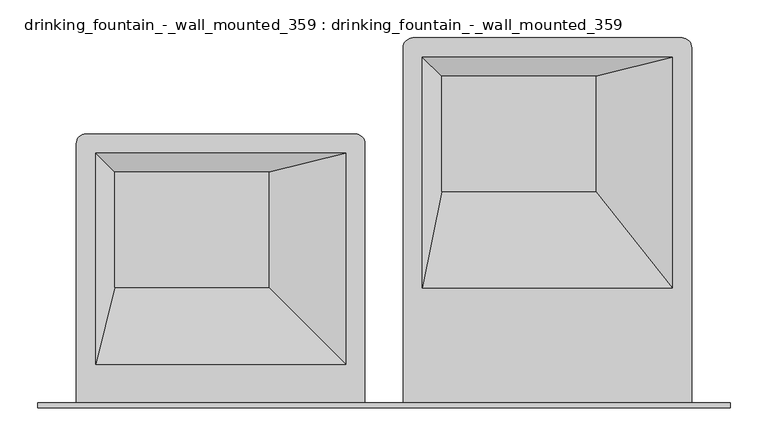
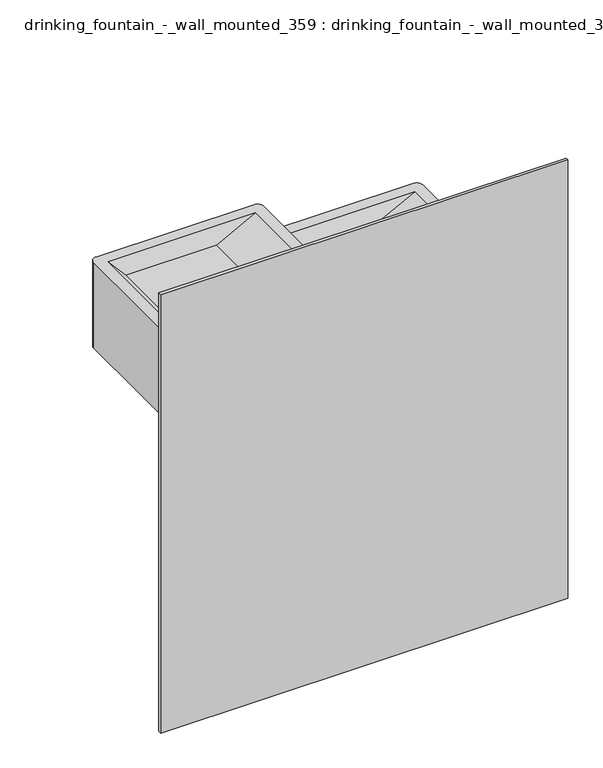
"""IFC4 building model written with IfcOpenShell, lengths in millimetres: flow terminal geometry, drinking_fountain_-_wall_mounted_359 : drinking_fountain_-_wall_mounted_359."""

from ifc_helpers import new_model, si_unit, frame, origin, place, context, project, spatial, polyline, circle_curve, outline, extrude, source, transform, mapped, element, save
from ifc_brep_helpers import plane_surface, cylinder_surface, advanced_brep


def drinking_fountain_wall_mounted_359_drinking_fountain_wall_96026f71(model_context):
    return source(origin(), model_context, "Body", "SolidModel", [
        advanced_brep(
        [(-37.5185542, 107.95, 1193.8), (-37.5185542, 450.85, 1193.8), (-50.2185542, 463.55, 1193.8), (-405.8185542, 463.55, 1193.8), (-418.5185542, 450.85, 1193.8), (-418.5185542, 107.95, 1193.8), (-393.1185542, 438.15, 1193.8), (-62.9185542, 438.15, 1193.8), (-62.9185542, 158.75, 1193.8), (-393.1185542, 158.75, 1193.8), (-37.5185542, 107.95, 990.6), (-418.5185542, 107.95, 990.6), (-418.5185542, 450.85, 990.6), (-405.8185542, 463.55, 990.6), (-50.2185542, 463.55, 990.6), (-37.5185542, 450.85, 990.6), (-164.5185542, 412.75, 1168.4), (-367.7185542, 412.75, 1168.4), (-367.7185542, 260.35, 1168.4), (-164.5185542, 260.35, 1168.4)],
        [
            (0, 1),
            (1, 2, circle_curve(frame((-50.2185542, 450.85, 1193.8), z_axis=(0.0, 0.0, 1.0), x_axis=(0.0, 1.0, 0.0)), 12.7)),
            (2, 3),
            (3, 4, circle_curve(frame((-405.8185542, 450.85, 1193.8), z_axis=(0.0, 0.0, 1.0), x_axis=(0.0, 1.0, 0.0)), 12.7)),
            (4, 5),
            (5, 0),
            (6, 7),
            (7, 8),
            (8, 9),
            (9, 6),
            (10, 11),
            (11, 12),
            (12, 13, circle_curve(frame((-405.8185542, 450.85, 990.6), z_axis=(0.0, 0.0, -1.0), x_axis=(0.0, 1.0, 0.0)), 12.7)),
            (13, 14),
            (14, 15, circle_curve(frame((-50.2185542, 450.85, 990.6), z_axis=(0.0, 0.0, -1.0), x_axis=(0.0, 1.0, 0.0)), 12.7)),
            (15, 10),
            (0, 10),
            (15, 1),
            (14, 2),
            (13, 3),
            (12, 4),
            (11, 5),
            (16, 17),
            (17, 18),
            (18, 19),
            (19, 16),
            (16, 7),
            (6, 17),
            (9, 18),
            (8, 19),
        ],
        [
            plane_surface(frame((-37.5185542, 107.95, 1193.8), z_axis=(0.0, 0.0, 1.0), x_axis=(0.0, 1.0, 0.0))),
            plane_surface(frame((-37.5185542, 107.95, 990.6), z_axis=(0.0, 0.0, -1.0), x_axis=(0.0, -1.0, 0.0))),
            plane_surface(frame((-37.5185542, 107.95, 1193.8), z_axis=(1.0, 0.0, 0.0), x_axis=(0.0, 0.0, -1.0))),
            cylinder_surface(frame((-50.2185542, 450.85, 990.6), z_axis=(0.0, 0.0, 1.0), x_axis=(0.0, 1.0, 0.0)), 12.7),
            plane_surface(frame((-50.2185542, 463.55, 1193.8), z_axis=(0.0, 1.0, 0.0), x_axis=(0.0, 0.0, -1.0))),
            cylinder_surface(frame((-405.8185542, 450.85, 990.6), z_axis=(0.0, 0.0, 1.0), x_axis=(0.0, 1.0, 0.0)), 12.7),
            plane_surface(frame((-418.5185542, 450.85, 1193.8), z_axis=(-1.0, 0.0, 0.0), x_axis=(0.0, 0.0, -1.0))),
            plane_surface(frame((-418.5185542, 107.95, 1193.8), z_axis=(0.0, -1.0, 0.0), x_axis=(0.0, 0.0, -1.0))),
            plane_surface(frame((-266.1185542, 336.55, 1168.4), z_axis=(0.0, 0.0, 1.0), x_axis=(-1.0, 0.0, 0.0))),
            plane_surface(frame((-266.1185542, 412.75, 1168.4), z_axis=(0.0, -0.7071067811865487, 0.7071067811865465), x_axis=(-1.0, 0.0, 0.0))),
            plane_surface(frame((-367.7185542, 336.55, 1168.4), z_axis=(0.7071067811865448, 0.0, 0.7071067811865505), x_axis=(0.0, -1.0, 0.0))),
            plane_surface(frame((-266.1185542, 260.35, 1168.4), z_axis=(0.0, 0.24253562503633352, 0.9701425001453318), x_axis=(1.0, 0.0, 0.0))),
            plane_surface(frame((-164.5185542, 336.55, 1168.4), z_axis=(-0.24253562503633777, 0.0, 0.9701425001453308), x_axis=(0.0, 1.0, 0.0))),
        ],
        [
            (0, [[1, 2, 3, 4, 5, 6], [7, 8, 9, 10]]),
            (1, [[11, 12, 13, 14, 15, 16]]),
            (2, [[-1, 17, -16, 18]]),
            (3, [[-2, -18, -15, 19]]),
            (4, [[-3, -19, -14, 20]]),
            (5, [[-4, -20, -13, 21]]),
            (6, [[-5, -21, -12, 22]]),
            (7, [[-6, -22, -11, -17]]),
            (8, [[23, 24, 25, 26]]),
            (9, [[-23, 27, -7, 28]]),
            (10, [[-24, -28, -10, 29]]),
            (11, [[-25, -29, -9, 30]]),
            (12, [[-26, -30, -8, -27]]),
        ],
    ),
        advanced_brep(
        [(394.2814458, 107.95, 1016.0), (394.2814458, 577.85, 1016.0), (381.5814458, 590.55, 1016.0), (25.9814458, 590.55, 1016.0), (13.2814458, 577.85, 1016.0), (13.2814458, 107.95, 1016.0), (38.6814458, 564.7987458, 1016.0), (368.8814458, 564.7987458, 1016.0), (368.8814458, 259.9987458, 1016.0), (38.6814458, 259.9987458, 1016.0), (394.2814458, 107.95, 762.0), (13.2814458, 107.95, 762.0), (13.2814458, 577.85, 762.0), (25.9814458, 590.55, 762.0), (381.5814458, 590.55, 762.0), (394.2814458, 577.85, 762.0), (267.2814458, 539.75, 990.6), (64.0814458, 539.75, 990.6), (64.0814458, 387.35, 990.6), (267.2814458, 387.35, 990.6)],
        [
            (0, 1),
            (1, 2, circle_curve(frame((381.5814458, 577.85, 1016.0), z_axis=(0.0, 0.0, 1.0), x_axis=(0.0, 1.0, 0.0)), 12.7)),
            (2, 3),
            (3, 4, circle_curve(frame((25.9814458, 577.85, 1016.0), z_axis=(0.0, 0.0, 1.0), x_axis=(0.0, 1.0, 0.0)), 12.7)),
            (4, 5),
            (5, 0),
            (6, 7),
            (7, 8),
            (8, 9),
            (9, 6),
            (10, 11),
            (11, 12),
            (12, 13, circle_curve(frame((25.9814458, 577.85, 762.0), z_axis=(0.0, 0.0, -1.0), x_axis=(0.0, 1.0, 0.0)), 12.7)),
            (13, 14),
            (14, 15, circle_curve(frame((381.5814458, 577.85, 762.0), z_axis=(0.0, 0.0, -1.0), x_axis=(0.0, 1.0, 0.0)), 12.7)),
            (15, 10),
            (0, 10),
            (15, 1),
            (14, 2),
            (13, 3),
            (12, 4),
            (11, 5),
            (16, 17),
            (17, 18),
            (18, 19),
            (19, 16),
            (16, 7),
            (6, 17),
            (9, 18),
            (8, 19),
        ],
        [
            plane_surface(frame((394.2814458, 107.95, 1016.0), z_axis=(0.0, 0.0, 1.0), x_axis=(0.0, 1.0, 0.0))),
            plane_surface(frame((394.2814458, 107.95, 762.0), z_axis=(0.0, 0.0, -1.0), x_axis=(0.0, -1.0, 0.0))),
            plane_surface(frame((394.2814458, 107.95, 1016.0), z_axis=(1.0, 0.0, 0.0), x_axis=(0.0, 0.0, -1.0))),
            cylinder_surface(frame((381.5814458, 577.85, 762.0), z_axis=(0.0, 0.0, 1.0), x_axis=(0.0, 1.0, 0.0)), 12.7),
            plane_surface(frame((381.5814458, 590.55, 1016.0), z_axis=(0.0, 1.0, 0.0), x_axis=(0.0, 0.0, -1.0))),
            cylinder_surface(frame((25.9814458, 577.85, 762.0), z_axis=(0.0, 0.0, 1.0), x_axis=(0.0, 1.0, 0.0)), 12.7),
            plane_surface(frame((13.2814458, 577.85, 1016.0), z_axis=(-1.0, 0.0, 0.0), x_axis=(0.0, 0.0, -1.0))),
            plane_surface(frame((13.2814458, 107.95, 1016.0), z_axis=(0.0, -1.0, 0.0), x_axis=(0.0, 0.0, -1.0))),
            plane_surface(frame((165.6814458, 463.55, 990.6), z_axis=(0.0, 0.0, 1.0), x_axis=(-1.0, 0.0, 0.0))),
            plane_surface(frame((165.6814458, 539.75, 990.6), z_axis=(0.0, -0.712012821369328, 0.7021664633159929), x_axis=(-1.0, 0.0, 0.0))),
            plane_surface(frame((64.0814458, 463.55, 990.6), z_axis=(0.7071067811865446, 0.0, 0.7071067811865505), x_axis=(0.0, -1.0, 0.0))),
            plane_surface(frame((165.6814458, 387.35, 990.6), z_axis=(0.0, 0.1955959387444284, 0.9806845714839639), x_axis=(1.0, 0.0, 0.0))),
            plane_surface(frame((267.2814458, 463.55, 990.6), z_axis=(-0.2425356250363371, 0.0, 0.9701425001453309), x_axis=(0.0, 1.0, 0.0))),
        ],
        [
            (0, [[1, 2, 3, 4, 5, 6], [7, 8, 9, 10]]),
            (1, [[11, 12, 13, 14, 15, 16]]),
            (2, [[-1, 17, -16, 18]]),
            (3, [[-2, -18, -15, 19]]),
            (4, [[-3, -19, -14, 20]]),
            (5, [[-4, -20, -13, 21]]),
            (6, [[-5, -21, -12, 22]]),
            (7, [[-6, -22, -11, -17]]),
            (8, [[23, 24, 25, 26]]),
            (9, [[-23, 27, -7, 28]]),
            (10, [[-24, -28, -10, 29]]),
            (11, [[-25, -29, -9, 30]]),
            (12, [[-26, -30, -8, -27]]),
        ],
    ),
        extrude(outline(polyline([(-469.3185542, 107.95), (445.0814458, 107.95), (445.0814458, 101.6), (-469.3185542, 101.6), (-469.3185542, 107.95)])), frame((0.0, 0.0, 305.0046103), z_axis=(0.0, 0.0, 1.0), x_axis=(1.0, 0.0, 0.0)), (0.0, 0.0, 1.0), 1041.4),
    ])


if __name__ == "__main__":
    model = new_model("IFC4")
    model_context = context("Model", 3, world=origin())
    ifc_project = project(units=[si_unit("LENGTHUNIT", "METRE", prefix="MILLI")], contexts=[model_context])
    site = spatial("IfcSite", under=ifc_project)
    building = spatial("IfcBuilding", under=site)
    placement = place(None, origin())
    drinking_fountain_wall_mounted_359_drinking_fountain_wall_shape = drinking_fountain_wall_mounted_359_drinking_fountain_wall_96026f71(model_context)
    element("IfcFlowTerminal", 1, ObjectType="drinking_fountain_-_wall_mounted_359 : drinking_fountain_-_wall_mounted_359", at=placement, inside=building, context=model_context, shape_type="MappedRepresentation", body=[
        mapped(drinking_fountain_wall_mounted_359_drinking_fountain_wall_shape, transform((0.0, 0.0, 0.0), x_axis=(1.0, 0.0, 0.0), y_axis=(0.0, 1.0, 0.0), z_axis=(0.0, 0.0, 1.0))),
    ])
    save(model, "model.ifc")
